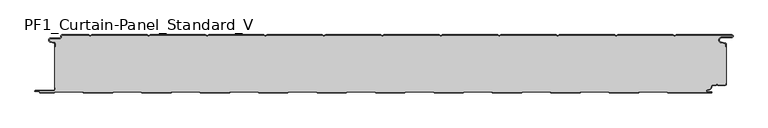
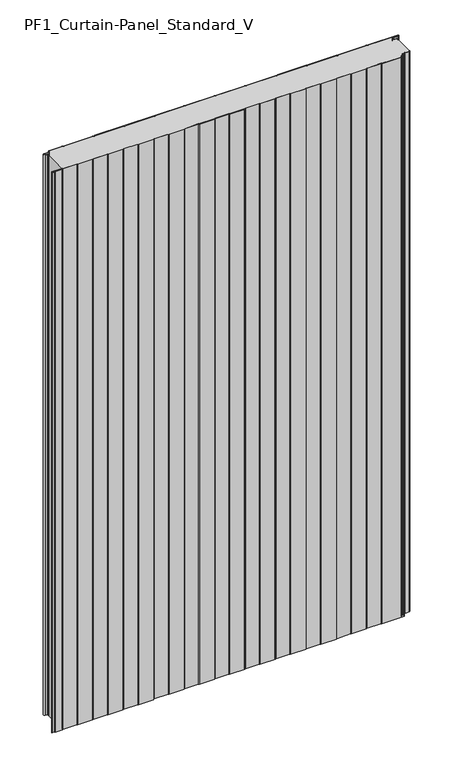
"""IFC4 building model written with IfcOpenShell, lengths in millimetres: plate geometry, PF1_Curtain-Panel_Standard_V."""

from ifc_helpers import new_model, si_unit, point, frame_2d, origin, origin_with_axes, place, context, project, spatial, polyline, circle_curve, trimmed, segment, composite_curve, outline, extrude, source, transform, mapped, element, save


def pf1_curtain_panel_standard_v_0c47990c(model_context):
    return source(origin(), model_context, "Body", "SweptSolid", [
        extrude(outline(composite_curve([segment(trimmed(circle_curve(frame_2d((-577.0, -15.878557)), 2.0), [point((-575.0, -15.878557))], [point((-576.5500978, -13.9298169))], True, "CARTESIAN"), True, "CONTINUOUS"), segment(polyline([(-576.5500978, -13.9298169), (-582.7098239, -12.507732)]), True, "CONTINUOUS"), segment(trimmed(circle_curve(frame_2d((-581.9, -9.0)), 3.6), [point((-582.7098239, -12.507732))], [point((-581.9, -5.4))], False, "CARTESIAN"), True, "CONTINUOUS"), segment(polyline([(-581.9, -5.4), (-566.4, -5.4)]), True, "CONTINUOUS"), segment(trimmed(circle_curve(frame_2d((-566.4, -3.4)), 2.0), [point((-566.4, -5.4))], [point((-564.4, -3.4))], True, "CARTESIAN"), True, "CONTINUOUS"), segment(polyline([(-564.4, -3.4), (-564.4, -2.0)]), True, "CONTINUOUS"), segment(trimmed(circle_curve(frame_2d((-562.4, -2.0)), 2.0), [point((-564.4, -2.0))], [point((-562.4, 0.0))], False, "CARTESIAN"), True, "CONTINUOUS"), segment(polyline([(-562.4, 0.0), (-517.0999995, 0.0), (-514.4, -1.5588455), (-511.7000005, 0.0), (-417.0999995, 0.0), (-414.4, -1.5588455), (-411.7000005, 0.0), (-317.0999995, 0.0), (-314.4, -1.5588455), (-311.7000005, 0.0), (-217.0999995, 0.0), (-214.4, -1.5588455), (-211.7000005, 0.0), (-117.0999995, 0.0), (-114.4, -1.5588455), (-111.7000005, 0.0), (-17.0999995, 0.0), (-14.4, -1.5588455), (-11.7000005, 0.0), (82.9000005, 0.0), (85.6, -1.5588455), (88.2999995, 0.0), (182.9000005, 0.0), (185.6, -1.5588455), (188.2999995, 0.0), (282.9000005, 0.0), (285.6, -1.5588455), (288.2999995, 0.0), (382.9000005, 0.0), (385.6, -1.5588455), (388.2999995, 0.0), (482.9000005, 0.0), (485.6, -1.5588455), (488.2999995, 0.0), (583.268846, 0.0)]), True, "CONTINUOUS"), segment(trimmed(circle_curve(frame_2d((583.268846, -2.5)), 2.5), [point((583.268846, 0.0))], [point((583.268846, -5.0))], False, "CARTESIAN"), True, "CONTINUOUS"), segment(polyline([(583.268846, -5.0), (566.268846, -5.0)]), True, "CONTINUOUS"), segment(trimmed(circle_curve(frame_2d((566.268846, -9.0)), 4.0), [point((566.268846, -5.0))], [point((565.574253, -12.939231))], True, "CARTESIAN"), True, "CONTINUOUS"), segment(polyline([(565.574253, -12.939231), (572.0203315, -14.0758491)]), True, "CONTINUOUS"), segment(trimmed(circle_curve(frame_2d((571.568846, -16.6363492)), 2.6), [point((572.0203315, -14.0758491))], [point((574.168846, -16.6363492))], False, "CARTESIAN"), True, "CONTINUOUS"), segment(polyline([(574.168846, -16.6363492), (574.168846, -20.0), (573.368846, -20.0), (573.368846, -16.6363492)]), True, "CONTINUOUS"), segment(trimmed(circle_curve(frame_2d((571.568846, -16.6363492)), 1.8), [point((573.368846, -16.6363492))], [point((571.8814129, -14.8636953))], True, "CARTESIAN"), True, "CONTINUOUS"), segment(polyline([(571.8814129, -14.8636953), (565.4353344, -13.7270772)]), True, "CONTINUOUS"), segment(trimmed(circle_curve(frame_2d((566.268846, -9.0)), 4.8), [point((565.4353344, -13.7270772))], [point((566.268846, -4.2))], False, "CARTESIAN"), True, "CONTINUOUS"), segment(polyline([(566.268846, -4.2), (583.268846, -4.2)]), True, "CONTINUOUS"), segment(trimmed(circle_curve(frame_2d((583.268846, -2.5)), 1.7), [point((583.268846, -4.2))], [point((583.268846, -0.8))], True, "CARTESIAN"), True, "CONTINUOUS"), segment(polyline([(583.268846, -0.8), (488.5143588, -0.8), (485.6, -2.482606), (482.6856412, -0.8), (388.5143588, -0.8), (385.6, -2.482606), (382.6856412, -0.8), (288.5143588, -0.8), (285.6, -2.482606), (282.6856412, -0.8), (188.5143588, -0.8), (185.6, -2.482606), (182.6856412, -0.8), (88.5143588, -0.8), (85.6, -2.482606), (82.6856412, -0.8), (-11.4856412, -0.8), (-14.4, -2.482606), (-17.3143588, -0.8), (-111.4856412, -0.8), (-114.4, -2.482606), (-117.3143588, -0.8), (-211.4856412, -0.8), (-214.4, -2.482606), (-217.3143588, -0.8), (-311.4856412, -0.8), (-314.4, -2.482606), (-317.3143588, -0.8), (-411.4856412, -0.8), (-414.4, -2.482606), (-417.3143588, -0.8), (-511.4856412, -0.8), (-514.4, -2.482606), (-517.3143588, -0.8), (-562.4, -0.8)]), True, "CONTINUOUS"), segment(trimmed(circle_curve(frame_2d((-562.4, -2.0)), 1.2), [point((-562.4, -0.8))], [point((-563.6, -2.0))], True, "CARTESIAN"), True, "CONTINUOUS"), segment(polyline([(-563.6, -2.0), (-563.6, -3.4)]), True, "CONTINUOUS"), segment(trimmed(circle_curve(frame_2d((-566.4, -3.4)), 2.8), [point((-563.6, -3.4))], [point((-566.4, -6.2))], False, "CARTESIAN"), True, "CONTINUOUS"), segment(polyline([(-566.4, -6.2), (-581.9, -6.2)]), True, "CONTINUOUS"), segment(trimmed(circle_curve(frame_2d((-581.9, -9.0)), 2.8), [point((-581.9, -6.2))], [point((-582.529863, -11.7282362))], True, "CARTESIAN"), True, "CONTINUOUS"), segment(polyline([(-582.529863, -11.7282362), (-576.370137, -13.150321)]), True, "CONTINUOUS"), segment(trimmed(circle_curve(frame_2d((-577.0, -15.878557)), 2.8), [point((-576.370137, -13.150321))], [point((-574.2, -15.878557))], False, "CARTESIAN"), True, "CONTINUOUS"), segment(polyline([(-574.2, -15.878557), (-574.2, -20.0), (-575.0, -20.0), (-575.0, -15.878557)]), True, "CONTINUOUS")], self_intersect=False)), origin_with_axes(), (0.0, 0.0, 1.0), 1945.7507136),
        extrude(outline(composite_curve([segment(polyline([(-574.2, -90.0), (-575.0, -90.0), (-575.0, -20.0), (-574.2, -20.0), (-574.2, -15.878557)]), True, "CONTINUOUS"), segment(trimmed(circle_curve(frame_2d((-577.0, -15.878557)), 2.8), [point((-574.2, -15.878557))], [point((-576.370137, -13.1503208))], True, "CARTESIAN"), True, "CONTINUOUS"), segment(polyline([(-576.370137, -13.1503208), (-582.529863, -11.7282362)]), True, "CONTINUOUS"), segment(trimmed(circle_curve(frame_2d((-581.9, -9.0)), 2.8), [point((-582.529863, -11.7282362))], [point((-581.9, -6.2))], False, "CARTESIAN"), True, "CONTINUOUS"), segment(polyline([(-581.9, -6.2), (-566.4, -6.2)]), True, "CONTINUOUS"), segment(trimmed(circle_curve(frame_2d((-566.4, -3.4)), 2.8), [point((-566.4, -6.2))], [point((-563.6, -3.4))], True, "CARTESIAN"), True, "CONTINUOUS"), segment(polyline([(-563.6, -3.4), (-563.6, -2.0)]), True, "CONTINUOUS"), segment(trimmed(circle_curve(frame_2d((-562.4, -2.0)), 1.2), [point((-563.6, -2.0))], [point((-562.4, -0.8))], False, "CARTESIAN"), True, "CONTINUOUS"), segment(polyline([(-562.4, -0.8), (-517.3143588, -0.8), (-514.4, -2.482606), (-511.4856412, -0.8), (-417.3143588, -0.8), (-414.4, -2.482606), (-411.4856412, -0.8), (-317.3143588, -0.8), (-314.4, -2.482606), (-311.4856412, -0.8), (-217.3143588, -0.8), (-214.4, -2.482606), (-211.4856412, -0.8), (-117.3143588, -0.8), (-114.4, -2.482606), (-111.4856412, -0.8), (-17.3143588, -0.8), (-14.4, -2.482606), (-11.4856412, -0.8), (82.6856412, -0.8), (85.6, -2.482606), (88.5143588, -0.8), (182.6856412, -0.8), (185.6, -2.482606), (188.5143588, -0.8), (282.6856412, -0.8), (285.6, -2.482606), (288.5143588, -0.8), (382.6856412, -0.8), (385.6, -2.482606), (388.5143588, -0.8), (482.6856412, -0.8), (485.6, -2.482606), (488.5143588, -0.8), (583.268846, -0.8)]), True, "CONTINUOUS"), segment(trimmed(circle_curve(frame_2d((583.268846, -2.5)), 1.7), [point((583.268846, -0.8))], [point((583.268846, -4.2))], False, "CARTESIAN"), True, "CONTINUOUS"), segment(polyline([(583.268846, -4.2), (566.268846, -4.2)]), True, "CONTINUOUS"), segment(trimmed(circle_curve(frame_2d((566.268846, -9.0)), 4.8), [point((566.268846, -4.2))], [point((565.4353344, -13.7270772))], True, "CARTESIAN"), True, "CONTINUOUS"), segment(polyline([(565.4353344, -13.7270772), (571.8814129, -14.8636953)]), True, "CONTINUOUS"), segment(trimmed(circle_curve(frame_2d((571.568846, -16.6363492)), 1.8), [point((571.8814129, -14.8636953))], [point((573.368846, -16.6363492))], False, "CARTESIAN"), True, "CONTINUOUS"), segment(polyline([(573.368846, -16.6363492), (573.368846, -20.0), (574.168846, -20.0), (574.168846, -83.0), (573.368846, -83.0), (573.368846, -84.4)]), True, "CONTINUOUS"), segment(trimmed(circle_curve(frame_2d((571.568846, -84.4)), 1.8), [point((573.368846, -84.4))], [point((571.568846, -86.2))], False, "CARTESIAN"), True, "CONTINUOUS"), segment(polyline([(571.568846, -86.2), (560.0002158, -86.2), (558.168846, -84.3686285), (556.3374762, -86.2), (550.168846, -86.2)]), True, "CONTINUOUS"), segment(trimmed(circle_curve(frame_2d((550.168846, -88.0)), 1.8), [point((550.168846, -86.2))], [point((548.368846, -88.0))], True, "CARTESIAN"), True, "CONTINUOUS"), segment(polyline([(548.368846, -88.0), (548.368846, -88.8276204)]), True, "CONTINUOUS"), segment(trimmed(circle_curve(frame_2d((542.9964664, -88.8276204)), 5.3723796), [point((548.368846, -88.8276204))], [point((542.9964664, -94.2))], False, "CARTESIAN"), True, "CONTINUOUS"), segment(polyline([(542.9964664, -94.2), (542.168846, -94.2)]), True, "CONTINUOUS"), segment(trimmed(circle_curve(frame_2d((542.168846, -96.4)), 2.2), [point((542.168846, -94.2))], [point((542.168846, -98.6))], True, "CARTESIAN"), True, "CONTINUOUS"), segment(polyline([(542.168846, -98.6), (548.0579973, -98.6)]), True, "CONTINUOUS"), segment(trimmed(circle_curve(frame_2d((548.0579973, -98.9)), 0.3), [point((548.0579973, -98.6))], [point((548.0579973, -99.2))], False, "CARTESIAN"), True, "CONTINUOUS"), segment(polyline([(548.0579973, -99.2), (474.2152562, -99.2), (471.6171786, -97.7), (426.3884624, -97.7), (423.7903848, -99.2), (374.2152562, -99.2), (371.6171786, -97.7), (326.3884624, -97.7), (323.7903848, -99.2), (274.2152562, -99.2), (271.6171786, -97.7), (226.3884624, -97.7), (223.7903848, -99.2), (174.2152562, -99.2), (171.6171786, -97.7), (126.3884624, -97.7), (123.7903848, -99.2), (74.2152562, -99.2), (71.6171786, -97.7), (26.3884624, -97.7), (23.7903848, -99.2), (-25.7847438, -99.2), (-28.3828214, -97.7), (-73.6115376, -97.7), (-76.2096152, -99.2), (-125.7847438, -99.2), (-128.3828214, -97.7), (-173.6115376, -97.7), (-176.2096152, -99.2), (-225.7847438, -99.2), (-228.3828214, -97.7), (-273.6115376, -97.7), (-276.2096152, -99.2), (-325.7847438, -99.2), (-328.3828214, -97.7), (-373.6115376, -97.7), (-376.2096152, -99.2), (-425.7847438, -99.2), (-428.3828214, -97.7), (-473.6115376, -97.7), (-476.2096152, -99.2), (-525.7847438, -99.2), (-528.3828214, -97.7), (-573.6115376, -97.7), (-576.2096152, -99.2), (-599.4, -99.2)]), True, "CONTINUOUS"), segment(trimmed(circle_curve(frame_2d((-599.4, -98.4)), 0.8), [point((-599.4, -99.2))], [point((-600.2, -98.4))], False, "CARTESIAN"), True, "CONTINUOUS"), segment(trimmed(circle_curve(frame_2d((-601.9, -98.6133333)), 1.7133333), [point((-600.2, -98.4))], [point((-601.9, -96.9))], True, "CARTESIAN"), True, "CONTINUOUS"), segment(polyline([(-601.9, -96.9), (-607.8700312, -96.9)]), True, "CONTINUOUS"), segment(trimmed(circle_curve(frame_2d((-607.8700312, -96.6)), 0.3), [point((-607.8700312, -96.9))], [point((-607.8700312, -96.3))], False, "CARTESIAN"), True, "CONTINUOUS"), segment(polyline([(-607.8700312, -96.3), (-577.0, -96.3)]), True, "CONTINUOUS"), segment(trimmed(circle_curve(frame_2d((-577.0, -93.5)), 2.8), [point((-577.0, -96.3))], [point((-574.2, -93.5))], True, "CARTESIAN"), True, "CONTINUOUS"), segment(polyline([(-574.2, -93.5), (-574.2, -90.0)]), True, "CONTINUOUS")], self_intersect=False)), origin_with_axes(), (0.0, 0.0, 1.0), 1945.7507136),
        extrude(outline(composite_curve([segment(polyline([(-575.0, -90.0), (-574.2, -90.0), (-574.2, -93.5)]), True, "CONTINUOUS"), segment(trimmed(circle_curve(frame_2d((-577.0, -93.5)), 2.8), [point((-574.2, -93.5))], [point((-577.0, -96.3))], False, "CARTESIAN"), True, "CONTINUOUS"), segment(polyline([(-577.0, -96.3), (-607.8700312, -96.3)]), True, "CONTINUOUS"), segment(trimmed(circle_curve(frame_2d((-607.8700312, -96.6)), 0.3), [point((-607.8700312, -96.3))], [point((-607.8700312, -96.9))], True, "CARTESIAN"), True, "CONTINUOUS"), segment(polyline([(-607.8700312, -96.9), (-601.9, -96.9)]), True, "CONTINUOUS"), segment(trimmed(circle_curve(frame_2d((-601.9, -98.6133333)), 1.7133333), [point((-601.9, -96.9))], [point((-600.2, -98.4))], False, "CARTESIAN"), True, "CONTINUOUS"), segment(trimmed(circle_curve(frame_2d((-599.4, -98.4)), 0.8), [point((-600.2, -98.4))], [point((-599.4, -99.2))], True, "CARTESIAN"), True, "CONTINUOUS"), segment(polyline([(-599.4, -99.2), (-576.2096152, -99.2), (-573.6115376, -97.7), (-528.3828214, -97.7), (-525.7847438, -99.2), (-476.2096152, -99.2), (-473.6115376, -97.7), (-428.3828214, -97.7), (-425.7847438, -99.2), (-376.2096152, -99.2), (-373.6115376, -97.7), (-328.3828214, -97.7), (-325.7847438, -99.2), (-276.2096152, -99.2), (-273.6115376, -97.7), (-228.3828214, -97.7), (-225.7847438, -99.2), (-176.2096152, -99.2), (-173.6115376, -97.7), (-128.3828214, -97.7), (-125.7847438, -99.2), (-76.2096152, -99.2), (-73.6115376, -97.7), (-28.3828214, -97.7), (-25.7847438, -99.2), (23.7903848, -99.2), (26.3884624, -97.7), (71.6171786, -97.7), (74.2152562, -99.2), (123.7903848, -99.2), (126.3884624, -97.7), (171.6171786, -97.7), (174.2152562, -99.2), (223.7903848, -99.2), (226.3884624, -97.7), (271.6171786, -97.7), (274.2152562, -99.2), (323.7903848, -99.2), (326.3884624, -97.7), (371.6171786, -97.7), (374.2152562, -99.2), (423.7903848, -99.2), (426.3884624, -97.7), (471.6171786, -97.7), (474.2152562, -99.2), (548.0579973, -99.2)]), True, "CONTINUOUS"), segment(trimmed(circle_curve(frame_2d((548.0579973, -98.9)), 0.3), [point((548.0579973, -99.2))], [point((548.0579973, -98.6))], True, "CARTESIAN"), True, "CONTINUOUS"), segment(polyline([(548.0579973, -98.6), (542.168846, -98.6)]), True, "CONTINUOUS"), segment(trimmed(circle_curve(frame_2d((542.168846, -96.4)), 2.2), [point((542.168846, -98.6))], [point((542.168846, -94.2))], False, "CARTESIAN"), True, "CONTINUOUS"), segment(polyline([(542.168846, -94.2), (542.9964664, -94.2)]), True, "CONTINUOUS"), segment(trimmed(circle_curve(frame_2d((542.9964664, -88.8276204)), 5.3723796), [point((542.9964664, -94.2))], [point((548.368846, -88.8276204))], True, "CARTESIAN"), True, "CONTINUOUS"), segment(polyline([(548.368846, -88.8276204), (548.368846, -88.0)]), True, "CONTINUOUS"), segment(trimmed(circle_curve(frame_2d((550.168846, -88.0)), 1.8), [point((548.368846, -88.0))], [point((550.168846, -86.2))], False, "CARTESIAN"), True, "CONTINUOUS"), segment(polyline([(550.168846, -86.2), (556.3374762, -86.2), (558.168846, -84.3686285), (560.0002158, -86.2), (571.568846, -86.2)]), True, "CONTINUOUS"), segment(trimmed(circle_curve(frame_2d((571.568846, -84.4)), 1.8), [point((571.568846, -86.2))], [point((573.368846, -84.4))], True, "CARTESIAN"), True, "CONTINUOUS"), segment(polyline([(573.368846, -84.4), (573.368846, -83.0), (574.168846, -83.0), (574.168846, -84.4)]), True, "CONTINUOUS"), segment(trimmed(circle_curve(frame_2d((571.568846, -84.4)), 2.6), [point((574.168846, -84.4))], [point((571.568846, -87.0))], False, "CARTESIAN"), True, "CONTINUOUS"), segment(polyline([(571.568846, -87.0), (559.6688448, -87.0), (558.168846, -85.4999999), (556.6688472, -87.0), (550.168846, -87.0)]), True, "CONTINUOUS"), segment(trimmed(circle_curve(frame_2d((550.168846, -88.0)), 1.0), [point((550.168846, -87.0))], [point((549.168846, -88.0))], True, "CARTESIAN"), True, "CONTINUOUS"), segment(polyline([(549.168846, -88.0), (549.168846, -88.8276204)]), True, "CONTINUOUS"), segment(trimmed(circle_curve(frame_2d((542.9964664, -88.8276204)), 6.1723796), [point((549.168846, -88.8276204))], [point((542.9964664, -95.0))], False, "CARTESIAN"), True, "CONTINUOUS"), segment(polyline([(542.9964664, -95.0), (542.168846, -95.0)]), True, "CONTINUOUS"), segment(trimmed(circle_curve(frame_2d((542.168846, -96.5)), 1.5), [point((542.168846, -95.0))], [point((542.168846, -98.0))], True, "CARTESIAN"), True, "CONTINUOUS"), segment(polyline([(542.168846, -98.0), (548.168846, -98.0)]), True, "CONTINUOUS"), segment(trimmed(circle_curve(frame_2d((548.168846, -99.0)), 1.0), [point((548.168846, -98.0))], [point((548.168846, -100.0))], False, "CARTESIAN"), True, "CONTINUOUS"), segment(polyline([(548.168846, -100.0), (474.0008969, -100.0), (471.4028193, -98.5), (426.6028217, -98.5), (424.0047441, -100.0), (374.0008969, -100.0), (371.4028193, -98.5), (326.6028217, -98.5), (324.0047441, -100.0), (274.0008969, -100.0), (271.4028193, -98.5), (226.6028217, -98.5), (224.0047441, -100.0), (174.0008969, -100.0), (171.4028193, -98.5), (126.6028217, -98.5), (124.0047441, -100.0), (74.0008969, -100.0), (71.4028193, -98.5), (26.6028217, -98.5), (24.0047441, -100.0), (-25.9991031, -100.0), (-28.5971807, -98.5), (-73.3971783, -98.5), (-75.9952559, -100.0), (-125.9991031, -100.0), (-128.5971807, -98.5), (-173.3971783, -98.5), (-175.9952559, -100.0), (-225.9991031, -100.0), (-228.5971807, -98.5), (-273.3971783, -98.5), (-275.9952559, -100.0), (-325.9991031, -100.0), (-328.5971807, -98.5), (-373.3971783, -98.5), (-375.9952559, -100.0), (-425.9991031, -100.0), (-428.5971807, -98.5), (-473.3971783, -98.5), (-475.9952559, -100.0), (-525.9991031, -100.0), (-528.5971807, -98.5), (-573.3971783, -98.5), (-575.9952559, -100.0), (-599.4, -100.0)]), True, "CONTINUOUS"), segment(trimmed(circle_curve(frame_2d((-599.4, -98.4)), 1.6), [point((-599.4, -100.0))], [point((-601.0, -98.4))], False, "CARTESIAN"), True, "CONTINUOUS"), segment(trimmed(circle_curve(frame_2d((-601.9, -98.4)), 0.9), [point((-601.0, -98.4))], [point((-601.9, -97.5))], True, "CARTESIAN"), True, "CONTINUOUS"), segment(polyline([(-601.9, -97.5), (-608.0, -97.5)]), True, "CONTINUOUS"), segment(trimmed(circle_curve(frame_2d((-608.0, -96.5)), 1.0), [point((-608.0, -97.5))], [point((-608.0, -95.5))], False, "CARTESIAN"), True, "CONTINUOUS"), segment(polyline([(-608.0, -95.5), (-577.0, -95.5)]), True, "CONTINUOUS"), segment(trimmed(circle_curve(frame_2d((-577.0, -93.5)), 2.0), [point((-577.0, -95.5))], [point((-575.0, -93.5))], True, "CARTESIAN"), True, "CONTINUOUS"), segment(polyline([(-575.0, -93.5), (-575.0, -90.0)]), True, "CONTINUOUS")], self_intersect=False)), origin_with_axes(), (0.0, 0.0, 1.0), 1945.7507136),
    ])


if __name__ == "__main__":
    model = new_model("IFC4")
    model_context = context("Model", 3, world=origin())
    ifc_project = project(units=[si_unit("LENGTHUNIT", "METRE", prefix="MILLI")], contexts=[model_context])
    site = spatial("IfcSite", under=ifc_project)
    building = spatial("IfcBuilding", under=site)
    placement = place(None, origin())
    pf1_curtain_panel_standard_v_shape = pf1_curtain_panel_standard_v_0c47990c(model_context)
    element("IfcPlate", 1, ObjectType="PF1_Curtain-Panel_Standard_V", at=placement, inside=building, context=model_context, shape_type="MappedRepresentation", body=[
        mapped(pf1_curtain_panel_standard_v_shape, transform((0.0, 0.0, 0.0), x_axis=(1.0, 0.0, 0.0), y_axis=(0.0, 1.0, 0.0), z_axis=(0.0, 0.0, 1.0))),
    ])
    save(model, "model.ifc")
